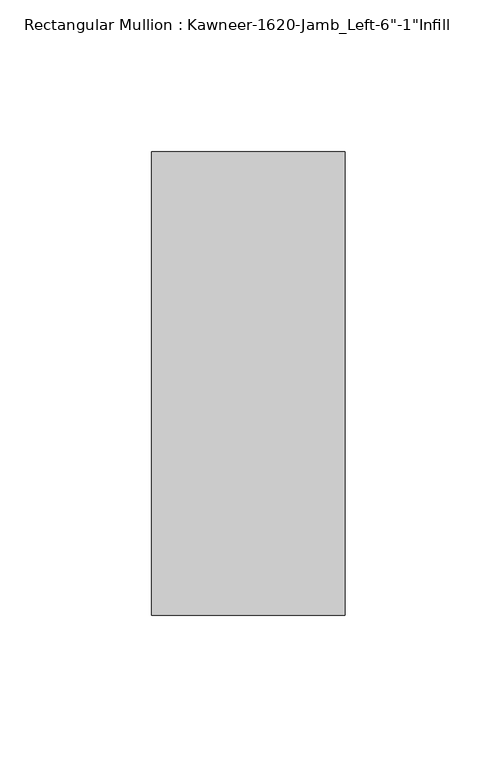
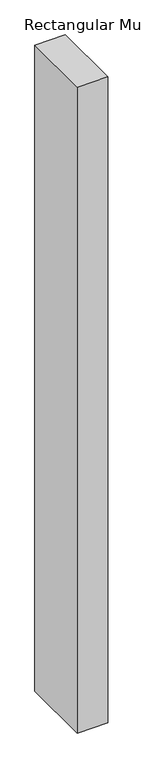
"""IFC4 building model written with IfcOpenShell, lengths in millimetres: member geometry."""

from ifc_helpers import new_model, si_unit, frame, origin, place, context, project, spatial, polyline, outline, extrude, source, transform, mapped, element, save


def member_2f99abbf(model_context):
    return source(origin(), model_context, "Body", "SweptSolid", [
        extrude(outline(polyline([(-63.5, 38.1), (0.0, 38.1), (0.0, -114.3), (-63.5, -114.3), (-63.5, 38.1)])), frame((0.0, 0.0, -1419.225), z_axis=(0.0, 0.0, 1.0), x_axis=(1.0, 0.0, 0.0)), (0.0, 0.0, 1.0), 1419.225),
    ])


if __name__ == "__main__":
    model = new_model("IFC4")
    model_context = context("Model", 3, world=origin())
    ifc_project = project(units=[si_unit("LENGTHUNIT", "METRE", prefix="MILLI")], contexts=[model_context])
    site = spatial("IfcSite", under=ifc_project)
    building = spatial("IfcBuilding", under=site)
    placement = place(None, origin())
    member_shape = member_2f99abbf(model_context)
    element("IfcMember", 1, ObjectType="Rectangular Mullion : Kawneer-1620-Jamb_Left-6\"-1\"Infill", at=placement, inside=building, context=model_context, shape_type="MappedRepresentation", body=[
        mapped(member_shape, transform((0.0, 0.0, 0.0), x_axis=(1.0, 0.0, 0.0), y_axis=(0.0, 1.0, 0.0), z_axis=(0.0, 0.0, 1.0))),
    ])
    save(model, "model.ifc")
